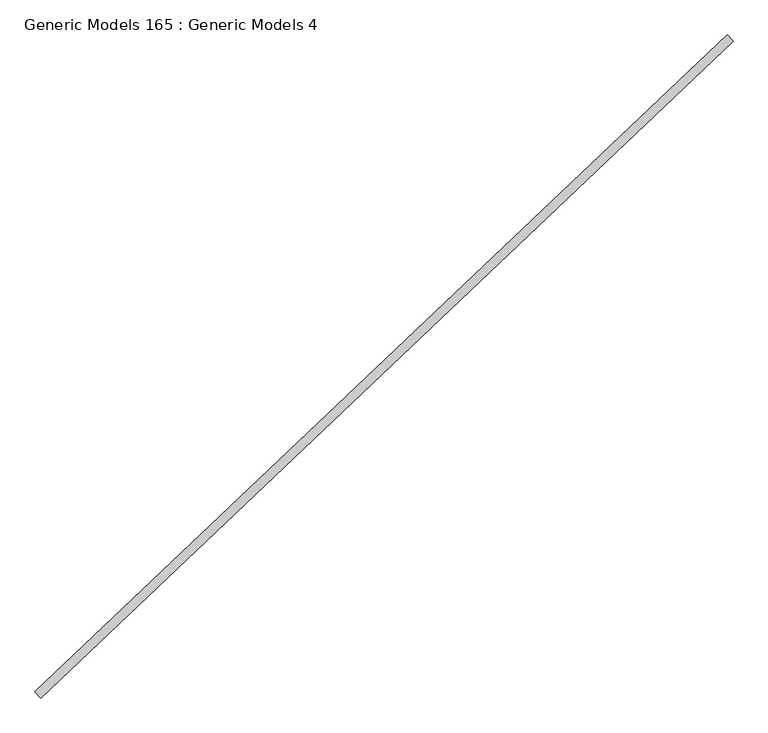
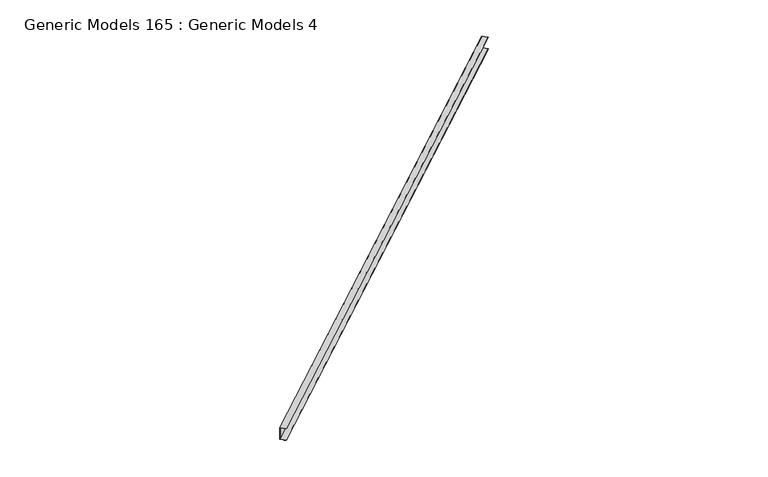
"""IFC4 building model written with IfcOpenShell, lengths in millimetres: proxy geometry, Generic Models 165 : Generic Models 4."""

from ifc_helpers import new_model, si_unit, frame, origin, place, context, project, spatial, polyline, outline, extrude, source, transform, mapped, element, save


def generic_models_165_generic_models_4_c408bc90(model_context):
    return source(origin(), model_context, "Body", "SweptSolid", [
        extrude(outline(polyline([(0.0, 0.0), (0.0, -92.075), (-41.275, -92.075), (-41.275, -90.4875), (-1.5875001, -90.4875), (-1.5875001, -1.5875), (-41.275, -1.5875), (-41.275, 0.0), (0.0, 0.0)])), frame((107865.1649574, 48761.3497706, 18633.1233985), z_axis=(0.7253743710122708, 0.6883545756937719, 0.0), x_axis=(-0.6883545756937719, 0.7253743710122708, 0.0)), (0.0, 0.0, 1.0), 4530.725),
    ])


if __name__ == "__main__":
    model = new_model("IFC4")
    model_context = context("Model", 3, world=origin())
    ifc_project = project(units=[si_unit("LENGTHUNIT", "METRE", prefix="MILLI")], contexts=[model_context])
    site = spatial("IfcSite", under=ifc_project)
    building = spatial("IfcBuilding", under=site)
    placement = place(None, origin())
    generic_models_165_generic_models_4_shape = generic_models_165_generic_models_4_c408bc90(model_context)
    element("IfcBuildingElementProxy", 1, Name="Generic Models 165 : Generic Models 4", ObjectType="Generic Models 165 : Generic Models 4", at=placement, inside=building, context=model_context, shape_type="MappedRepresentation", body=[
        mapped(generic_models_165_generic_models_4_shape, transform((0.0, 0.0, 0.0), x_axis=(1.0, 0.0, 0.0), y_axis=(0.0, 1.0, 0.0), z_axis=(0.0, 0.0, 1.0))),
    ])
    save(model, "model.ifc")
